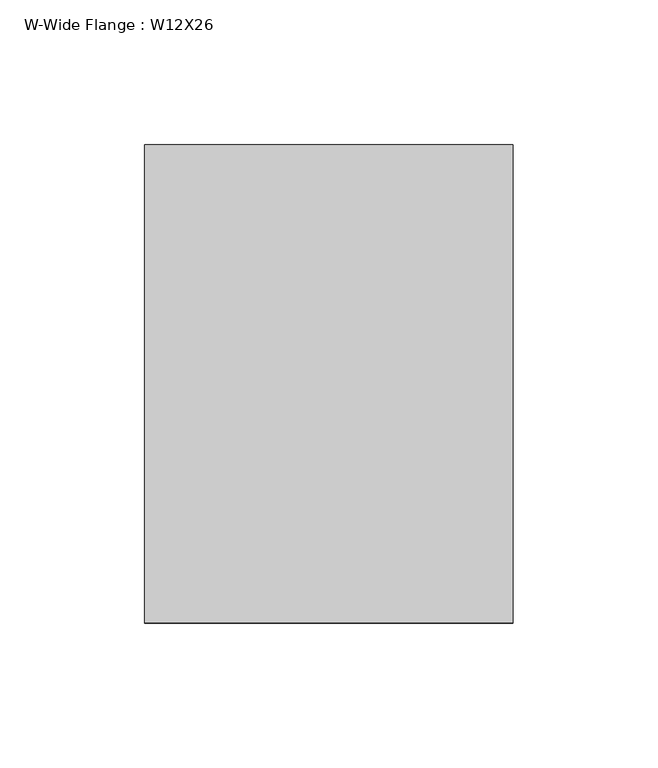
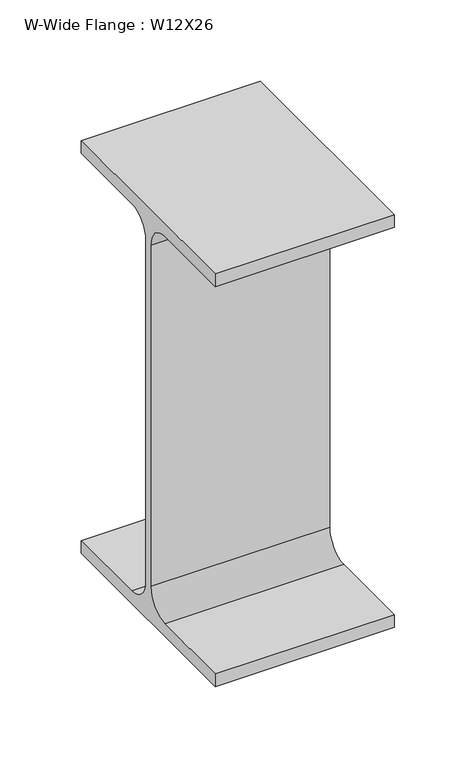
"""IFC4 building model written with IfcOpenShell, lengths in millimetres: beam geometry, W-Wide Flange : W12X26."""

from ifc_helpers import new_model, si_unit, point, frame, frame_2d, origin, place, context, project, spatial, polyline, circle_curve, trimmed, segment, composite_curve, outline, extrude, source, transform, mapped, element, save


def w_wide_flange_w12x26_d7961a08(model_context):
    return source(origin(), model_context, "Body", "SweptSolid", [
        extrude(outline(composite_curve([segment(polyline([(82.423, -145.288), (82.423, -154.94), (-82.423, -154.94), (-82.423, -145.288), (-20.2565, -145.288)]), True, "CONTINUOUS"), segment(trimmed(circle_curve(frame_2d((-20.2565, -127.9525)), 17.3355), [point((-20.2565, -145.288))], [point((-2.921, -127.9525))], True, "CARTESIAN"), True, "CONTINUOUS"), segment(polyline([(-2.921, -127.9525), (-2.921, 127.9525)]), True, "CONTINUOUS"), segment(trimmed(circle_curve(frame_2d((-20.2565, 127.9525)), 17.3355), [point((-2.921, 127.9525))], [point((-20.2565, 145.288))], True, "CARTESIAN"), True, "CONTINUOUS"), segment(polyline([(-20.2565, 145.288), (-82.423, 145.288), (-82.423, 154.94), (82.423, 154.94), (82.423, 145.288), (20.2565, 145.288)]), True, "CONTINUOUS"), segment(trimmed(circle_curve(frame_2d((20.2565, 127.9525)), 17.3355), [point((20.2565, 145.288))], [point((2.921, 127.9525))], True, "CARTESIAN"), True, "CONTINUOUS"), segment(polyline([(2.921, 127.9525), (2.921, -127.9525)]), True, "CONTINUOUS"), segment(trimmed(circle_curve(frame_2d((20.2565, -127.9525)), 17.3355), [point((2.921, -127.9525))], [point((20.2565, -145.288))], True, "CARTESIAN"), True, "CONTINUOUS"), segment(polyline([(20.2565, -145.288), (82.423, -145.288)]), True, "CONTINUOUS")], self_intersect=False)), frame((-63.5, 0.0, 0.0), z_axis=(1.0, 0.0, 0.0), x_axis=(0.0, 1.0, 0.0)), (0.0, 0.0, 1.0), 127.0),
    ])


if __name__ == "__main__":
    model = new_model("IFC4")
    model_context = context("Model", 3, world=origin())
    ifc_project = project(units=[si_unit("LENGTHUNIT", "METRE", prefix="MILLI")], contexts=[model_context])
    site = spatial("IfcSite", under=ifc_project)
    building = spatial("IfcBuilding", under=site)
    placement = place(None, origin())
    w_wide_flange_w12x26_shape = w_wide_flange_w12x26_d7961a08(model_context)
    element("IfcBeam", 1, ObjectType="W-Wide Flange : W12X26", at=placement, inside=building, context=model_context, shape_type="MappedRepresentation", body=[
        mapped(w_wide_flange_w12x26_shape, transform((0.0, 0.0, 0.0), x_axis=(1.0, 0.0, 0.0), y_axis=(0.0, 1.0, 0.0), z_axis=(0.0, 0.0, 1.0))),
    ])
    save(model, "model.ifc")
